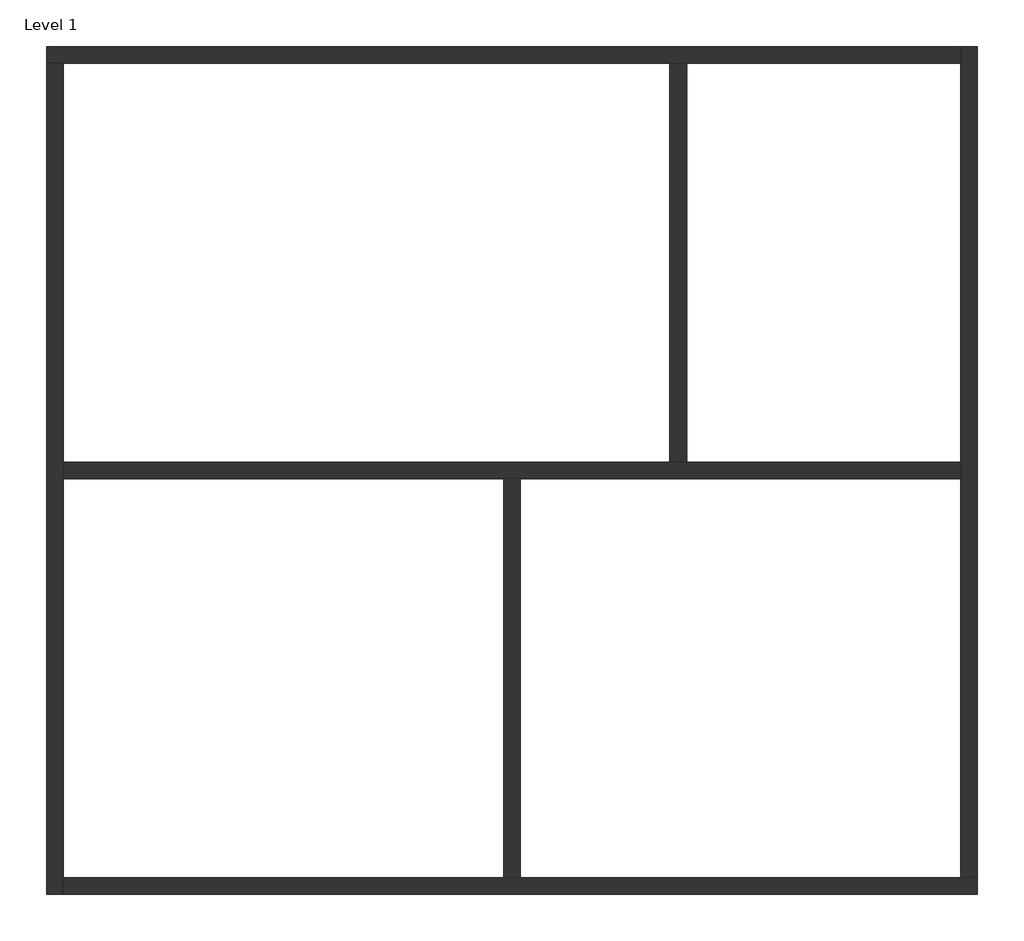
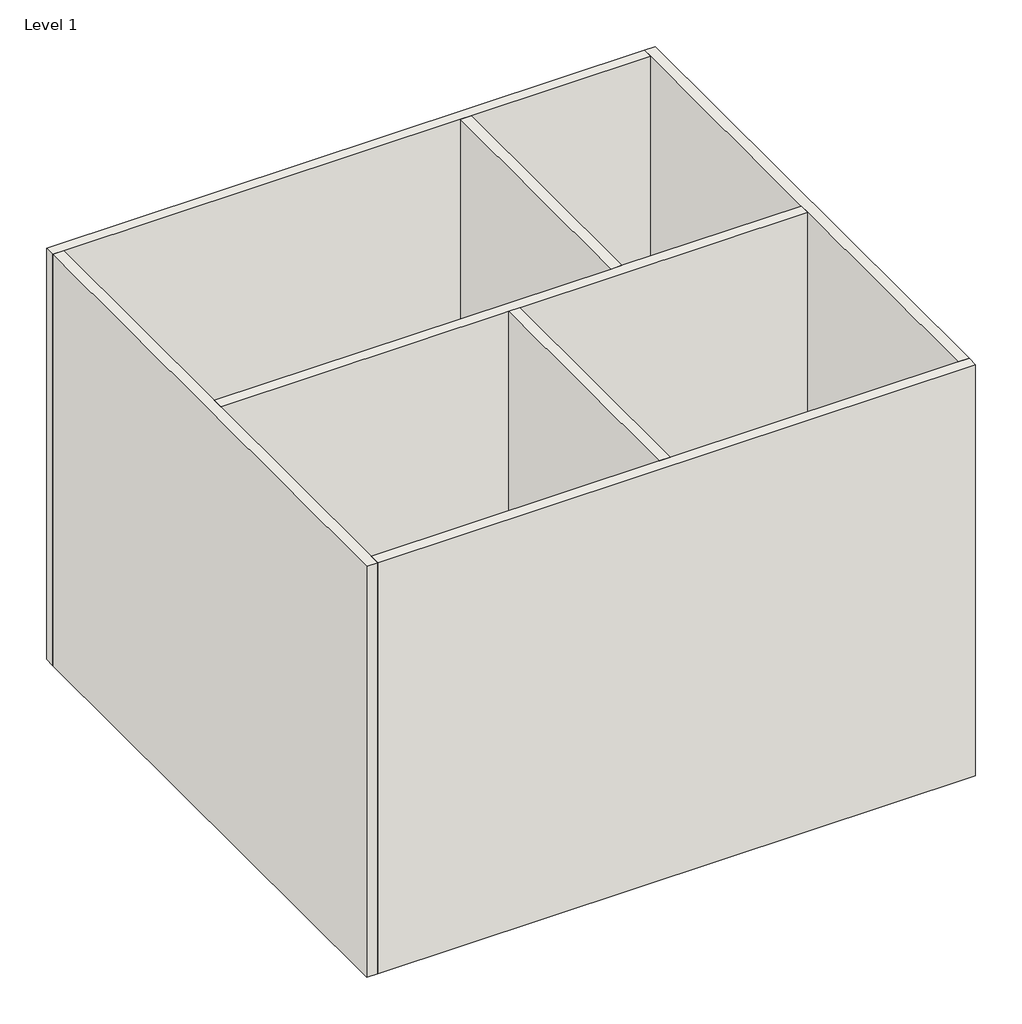
# One storey: 7 walls.
"""IFC4 building model written with IfcOpenShell, lengths in millimetres."""

import ifcopenshell
import ifcopenshell.guid

model = None  # the IFC model being written
_history = None  # IfcOwnerHistory: only IFC2X3 demands one
_inside = {}  # id of a spatial element -> (the spatial element, [elements in it])
_under = {}  # id of a project, library or spatial element -> (it, [spatial elements below it])
_declared = {}  # id of a project -> (the project, [libraries it declares])
_typed = {}  # id of a type object -> (the type object, [elements of that type])
_made_of = {}  # id of a material, layer set ... -> (it, [elements and type objects made of it])


def new_model(schema):
    """Start an empty IFC model of exactly this schema.

    Asked for "IFC4X3", IfcOpenShell would pick the latest addendum, in which some entities
    have other attributes; the version numbers below select the first issue.
    IFC2X3 requires an IfcOwnerHistory on every rooted entity: one is made here for all.
    """
    global model, _history
    if schema == "IFC4X3":
        model = ifcopenshell.file(schema_version=(4, 3, 0, 0))
    else:
        model = ifcopenshell.file(schema=schema)
    _inside.clear()
    _under.clear()
    _declared.clear()
    _typed.clear()
    _made_of.clear()
    _history = None
    if model.schema == "IFC2X3":
        org = make("IfcOrganization", Name="unknown")
        user = make(
            "IfcPersonAndOrganization",
            ThePerson=make("IfcPerson", FamilyName="unknown"),
            TheOrganization=org,
        )
        app = make(
            "IfcApplication",
            ApplicationDeveloper=org,
            Version="unknown",
            ApplicationFullName="unknown",
            ApplicationIdentifier="unknown",
        )
        _history = make(
            "IfcOwnerHistory",
            OwningUser=user,
            OwningApplication=app,
            ChangeAction="ADDED",
            CreationDate=0,
        )
    return model


def make(cls, **values):
    """One entity of the class cls with the attributes given. An attribute that is None is left unset."""
    return model.create_entity(
        cls, **{name: value for name, value in values.items() if value is not None}
    )


def rooted(cls, **values):
    """An entity with a GlobalId (a new one), such as an element, a storey or a relation."""
    return make(cls, GlobalId=ifcopenshell.guid.new(), OwnerHistory=_history, **values)


def si_unit(unit_type, name, prefix=None):
    """IfcSIUnit, for example si_unit("LENGTHUNIT", "METRE", prefix="MILLI")."""
    return make("IfcSIUnit", UnitType=unit_type, Prefix=prefix, Name=name)


def assignment(units):
    """IfcUnitAssignment: the units of a project."""
    return None if units is None else make("IfcUnitAssignment", Units=units)


def point(xyz):
    """IfcCartesianPoint."""
    return None if xyz is None else make("IfcCartesianPoint", Coordinates=xyz)


def direction(xyz):
    """IfcDirection."""
    return None if xyz is None else make("IfcDirection", DirectionRatios=xyz)


def frame(location, z_axis=None, x_axis=None):
    """IfcAxis2Placement3D, a coordinate frame: its origin and axes. An axis left out is left unset."""
    return make(
        "IfcAxis2Placement3D",
        Location=point(location),
        Axis=direction(z_axis),
        RefDirection=direction(x_axis),
    )


def origin():
    """The frame at (0, 0, 0) with its axes left unset."""
    return frame((0.0, 0.0, 0.0))


def origin_with_axes():
    """The frame at (0, 0, 0) with the z axis (0, 0, 1) and the x axis (1, 0, 0) written out."""
    return frame((0.0, 0.0, 0.0), z_axis=(0.0, 0.0, 1.0), x_axis=(1.0, 0.0, 0.0))


def place(relative_to, where):
    """IfcLocalPlacement: puts the frame where relative to a parent placement (None: the world)."""
    return make(
        "IfcLocalPlacement", PlacementRelTo=relative_to, RelativePlacement=where
    )


def context(
    kind, dimensions, precision=None, world=None, true_north=None, identifier=None
):
    """IfcGeometricRepresentationContext, for example the 3D "Model" context."""
    return make(
        "IfcGeometricRepresentationContext",
        ContextIdentifier=identifier,
        ContextType=kind,
        CoordinateSpaceDimension=dimensions,
        Precision=precision,
        WorldCoordinateSystem=world,
        TrueNorth=true_north,
    )


def project(units=None, contexts=None):
    """IfcProject with its units and contexts."""
    return rooted(
        "IfcProject",
        Name="project",
        RepresentationContexts=contexts,
        UnitsInContext=assignment(units),
    )


def spatial(cls, under=None, at=None, **own):
    """A site, building, storey or space (cls), placed at a placement, below another one or the project."""
    s = rooted(cls, ObjectPlacement=at, **own)
    if under is not None:
        _under.setdefault(under.id(), (under, []))[1].append(s)
    return s


def polyline(points):
    """IfcPolyline through the points."""
    return make("IfcPolyline", Points=[point(p) for p in points])


def outline(outer, holes=None, kind="AREA"):
    """IfcArbitraryClosedProfileDef: a profile drawn as a closed curve; with holes, ...WithVoids."""
    if holes is None:
        return make("IfcArbitraryClosedProfileDef", ProfileType=kind, OuterCurve=outer)
    return make(
        "IfcArbitraryProfileDefWithVoids",
        ProfileType=kind,
        OuterCurve=outer,
        InnerCurves=holes,
    )


def extrude(swept, where, along, depth):
    """IfcExtrudedAreaSolid: the profile swept, set in the frame where, extruded along a direction by depth."""
    return make(
        "IfcExtrudedAreaSolid",
        SweptArea=swept,
        Position=where,
        ExtrudedDirection=direction(along),
        Depth=depth,
    )


def faces_of(points, faces, orient=None, outer=None):
    """IfcFace entities. A face is a list of loops; a loop is a list of indices into points, from 0.

    orient and outer hold one flag for each loop. By default every Orientation is true, the
    first loop of a face is its IfcFaceOuterBound and the others are IfcFaceBound.
    """
    made = []
    for i, loops in enumerate(faces):
        bounds = []
        for j, loop in enumerate(loops):
            is_outer = j == 0 if outer is None else outer[i][j]
            bounds.append(
                make(
                    "IfcFaceOuterBound" if is_outer else "IfcFaceBound",
                    Bound=make("IfcPolyLoop", Polygon=[points[k] for k in loop]),
                    Orientation=True if orient is None else orient[i][j],
                )
            )
        made.append(make("IfcFace", Bounds=bounds))
    return made


def faceted_brep(points, faces, orient=None, outer=None, voids=None):
    """IfcFacetedBrep: a solid bounded by flat faces; with voids (closed shells), ...WithVoids."""
    shared = [point(p) for p in points]
    hull = make("IfcClosedShell", CfsFaces=faces_of(shared, faces, orient, outer))
    if voids is None:
        return make("IfcFacetedBrep", Outer=hull)
    return make(
        "IfcFacetedBrepWithVoids",
        Outer=hull,
        Voids=[
            make(cls, CfsFaces=faces_of(shared, fs, o, b)) for cls, fs, o, b in voids
        ],
    )


def shape(context_of_items, identifier, shape_type, items):
    """IfcShapeRepresentation: the items that make up one representation, for example the "Body"."""
    return make(
        "IfcShapeRepresentation",
        ContextOfItems=context_of_items,
        RepresentationIdentifier=identifier,
        RepresentationType=shape_type,
        Items=items,
    )


def made_of(thing, what):
    """Note that an element or type object is made of a material, layer set ...; save() writes the relation."""
    if what is not None:
        _made_of.setdefault(what.id(), (what, []))[1].append(thing)
    return thing


def element(
    cls,
    number,
    at=None,
    inside=None,
    cuts=None,
    type_object=None,
    material=None,
    context=None,
    identifier="Body",
    shape_type=None,
    held_by="IfcProductDefinitionShape",
    body=None,
    shapes=None,
    **own,
):
    """One element of the class cls, such as IfcWall. Its Tag is "e" and its number.

    at: its placement. inside: the storey or other place that contains it. cuts: it is an
    opening in that element (IfcRelVoidsElement). A single representation is given by context,
    identifier, shape_type and body (its items); several are given by shapes. held_by: the class
    of the entity that holds the representations. save() writes the other relations.
    """
    e = rooted(cls, Tag="e%d" % number, ObjectPlacement=at, **own)
    if body is not None:
        shapes = [shape(context, identifier, shape_type, body)]
    if shapes is not None:
        e.Representation = make(held_by, Representations=shapes)
    if inside is not None:
        _inside.setdefault(inside.id(), (inside, []))[1].append(e)
    if cuts is not None:
        rooted(
            "IfcRelVoidsElement", RelatingBuildingElement=cuts, RelatedOpeningElement=e
        )
    if type_object is not None:
        _typed.setdefault(type_object.id(), (type_object, []))[1].append(e)
    return made_of(e, material)


def aggregate(whole, parts):
    """IfcRelAggregates: a whole, such as a stair, and the parts it consists of."""
    return rooted("IfcRelAggregates", RelatingObject=whole, RelatedObjects=parts)


def save(model, path):
    """Write the relations noted so far, then the file.

    IfcRelAggregates (storeys below a building ...), IfcRelContainedInSpatialStructure (elements
    in a storey), IfcRelDefinesByType, IfcRelAssociatesMaterial and IfcRelDeclares: one each for
    every whole, place, type object, material and project.
    """
    for whole, parts in _under.values():
        aggregate(whole, parts)
    for where, things in _inside.values():
        rooted(
            "IfcRelContainedInSpatialStructure",
            RelatedElements=things,
            RelatingStructure=where,
        )
    for kind, things in _typed.values():
        rooted("IfcRelDefinesByType", RelatedObjects=things, RelatingType=kind)
    for what, things in _made_of.values():
        rooted("IfcRelAssociatesMaterial", RelatedObjects=things, RelatingMaterial=what)
    for by, libraries in _declared.values():
        rooted("IfcRelDeclares", RelatingContext=by, RelatedDefinitions=libraries)
    model.write(path)


model = new_model("IFC4")

# Units and contexts
model_context = context("Model", 3, world=origin())
ifc_project = project(units=[si_unit("LENGTHUNIT", "METRE", prefix="MILLI")], contexts=[model_context])

# Site, building, storey
site = spatial("IfcSite", under=ifc_project)
building = spatial("IfcBuilding", under=site)
storey = spatial("IfcBuildingStorey", under=building, Name="Level 1", Elevation=0.0)

# Walls
placement = place(None, origin())
element("IfcWall", 1, ObjectType="Generic - 200mm", at=placement, inside=storey, context=model_context, shape_type="Brep", body=[
    faceted_brep([(-6324.5882478, 7658.147036, 0.0), (-6124.5882478, 7658.147036, 0.0), (1175.4117522, 7658.147036, 0.0), (1375.4117522, 7658.147036, 0.0), (4675.4117522, 7658.147036, 0.0), (4675.4117522, 7658.147036, 8000.0), (1375.4117522, 7658.147036, 8000.0), (1175.4117522, 7658.147036, 8000.0), (-6124.5882478, 7658.147036, 8000.0), (-6324.5882478, 7658.147036, 8000.0), (-6324.5882478, 7858.147036, 0.0), (-6324.5882478, 7858.147036, 8000.0), (4675.4117522, 7858.147036, 8000.0), (4675.4117522, 7858.147036, 0.0)], [[[0, 1, 2, 3, 4, 5, 6, 7, 8, 9]], [[10, 11, 12, 13]], [[4, 3, 2, 1, 0, 10, 13]], [[9, 8, 7, 6, 5, 12, 11]], [[0, 9, 11, 10]], [[5, 4, 13, 12]]]),
])
element("IfcWall", 2, ObjectType="Generic - 200mm", at=placement, inside=storey, context=model_context, shape_type="Brep", body=[
    faceted_brep([(-6124.5882478, -2341.852964, 0.0), (-6124.5882478, -2141.852964, 0.0), (-6124.5882478, 2658.147036, 0.0), (-6124.5882478, 2858.147036, 0.0), (-6124.5882478, 7658.147036, 0.0), (-6124.5882478, 7658.147036, 8000.0), (-6124.5882478, 2858.147036, 8000.0), (-6124.5882478, 2658.147036, 8000.0), (-6124.5882478, -2141.852964, 8000.0), (-6124.5882478, -2341.852964, 8000.0), (-6324.5882478, -2341.852964, 0.0), (-6324.5882478, -2341.852964, 8000.0), (-6324.5882478, 7658.147036, 8000.0), (-6324.5882478, 7658.147036, 0.0)], [[[0, 1, 2, 3, 4, 5, 6, 7, 8, 9]], [[10, 11, 12, 13]], [[4, 3, 2, 1, 0, 10, 13]], [[9, 8, 7, 6, 5, 12, 11]], [[0, 9, 11, 10]], [[5, 4, 13, 12]]]),
])
element("IfcWall", 3, ObjectType="Generic - 200mm", at=placement, inside=storey, context=model_context, shape_type="Brep", body=[
    faceted_brep([(4875.4117522, -2141.852964, 0.0), (4675.4117522, -2141.852964, 0.0), (-624.5882478, -2141.852964, 0.0), (-824.5882478, -2141.852964, 0.0), (-6124.5882478, -2141.852964, 0.0), (-6124.5882478, -2141.852964, 8000.0), (-824.5882478, -2141.852964, 8000.0), (-624.5882478, -2141.852964, 8000.0), (4675.4117522, -2141.852964, 8000.0), (4875.4117522, -2141.852964, 8000.0), (4875.4117522, -2341.852964, 0.0), (4875.4117522, -2341.852964, 8000.0), (-6124.5882478, -2341.852964, 8000.0), (-6124.5882478, -2341.852964, 0.0)], [[[0, 1, 2, 3, 4, 5, 6, 7, 8, 9]], [[10, 11, 12, 13]], [[4, 3, 2, 1, 0, 10, 13]], [[9, 8, 7, 6, 5, 12, 11]], [[0, 9, 11, 10]], [[5, 4, 13, 12]]]),
])
element("IfcWall", 4, ObjectType="Generic - 200mm", at=placement, inside=storey, context=model_context, shape_type="Brep", body=[
    faceted_brep([(4675.4117522, 7858.147036, 0.0), (4675.4117522, 7658.147036, 0.0), (4675.4117522, 2858.147036, 0.0), (4675.4117522, 2658.147036, 0.0), (4675.4117522, -2141.852964, 0.0), (4675.4117522, -2141.852964, 8000.0), (4675.4117522, 2658.147036, 8000.0), (4675.4117522, 2858.147036, 8000.0), (4675.4117522, 7658.147036, 8000.0), (4675.4117522, 7858.147036, 8000.0), (4875.4117522, 7858.147036, 0.0), (4875.4117522, 7858.147036, 8000.0), (4875.4117522, -2141.852964, 8000.0), (4875.4117522, -2141.852964, 0.0)], [[[0, 1, 2, 3, 4, 5, 6, 7, 8, 9]], [[10, 11, 12, 13]], [[4, 3, 2, 1, 0, 10, 13]], [[9, 8, 7, 6, 5, 12, 11]], [[0, 9, 11, 10]], [[5, 4, 13, 12]]]),
])
element("IfcWall", 5, ObjectType="Generic - 200mm", at=placement, inside=storey, context=model_context, shape_type="Brep", body=[
    faceted_brep([(-6124.5882478, 2658.147036, 0.0), (-824.5882478, 2658.147036, 0.0), (-624.5882478, 2658.147036, 0.0), (4675.4117522, 2658.147036, 0.0), (4675.4117522, 2658.147036, 8000.0), (-624.5882478, 2658.147036, 8000.0), (-824.5882478, 2658.147036, 8000.0), (-6124.5882478, 2658.147036, 8000.0), (-6124.5882478, 2858.147036, 0.0), (-6124.5882478, 2858.147036, 8000.0), (1175.4117522, 2858.147036, 8000.0), (1375.4117522, 2858.147036, 8000.0), (4675.4117522, 2858.147036, 8000.0), (4675.4117522, 2858.147036, 0.0), (1375.4117522, 2858.147036, 0.0), (1175.4117522, 2858.147036, 0.0)], [[[0, 1, 2, 3, 4, 5, 6, 7]], [[8, 9, 10, 11, 12, 13, 14, 15]], [[3, 2, 1, 0, 8, 15, 14, 13]], [[7, 6, 5, 4, 12, 11, 10, 9]], [[0, 7, 9, 8]], [[4, 3, 13, 12]]]),
])
element("IfcWall", 6, ObjectType="Generic - 200mm", at=placement, inside=storey, context=model_context, shape_type="SweptSolid", body=[
    extrude(outline(polyline([(-624.5882478, 2658.147036), (-624.5882478, -2141.852964), (-824.5882478, -2141.852964), (-824.5882478, 2658.147036), (-624.5882478, 2658.147036)])), origin_with_axes(), (0.0, 0.0, 1.0), 8000.0),
])
element("IfcWall", 7, ObjectType="Generic - 200mm", at=placement, inside=storey, context=model_context, shape_type="SweptSolid", body=[
    extrude(outline(polyline([(1375.4117522, 7658.147036), (1375.4117522, 2858.147036), (1175.4117522, 2858.147036), (1175.4117522, 7658.147036), (1375.4117522, 7658.147036)])), origin_with_axes(), (0.0, 0.0, 1.0), 8000.0),
])

save(model, "model.ifc")
